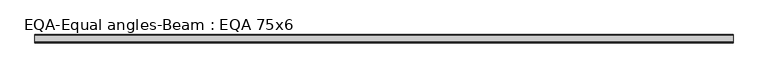
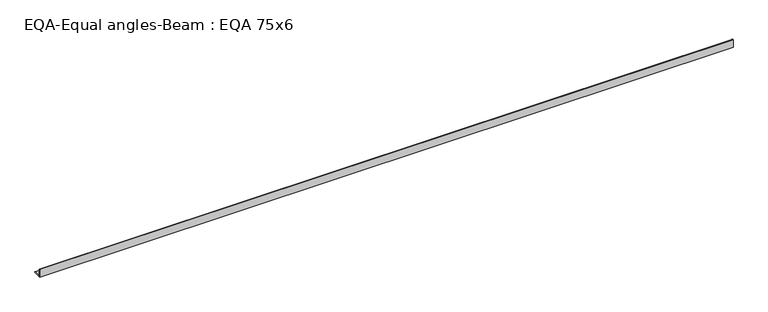
"""IFC4 building model written with IfcOpenShell, lengths in millimetres: beam geometry, EQA-Equal angles-Beam : EQA 75x6."""

import ifcopenshell
import ifcopenshell.guid

model = None  # the IFC model being written
_history = None  # IfcOwnerHistory: only IFC2X3 demands one
_inside = {}  # id of a spatial element -> (the spatial element, [elements in it])
_under = {}  # id of a project, library or spatial element -> (it, [spatial elements below it])
_declared = {}  # id of a project -> (the project, [libraries it declares])
_typed = {}  # id of a type object -> (the type object, [elements of that type])
_made_of = {}  # id of a material, layer set ... -> (it, [elements and type objects made of it])


def new_model(schema):
    """Start an empty IFC model of exactly this schema.

    Asked for "IFC4X3", IfcOpenShell would pick the latest addendum, in which some entities
    have other attributes; the version numbers below select the first issue.
    IFC2X3 requires an IfcOwnerHistory on every rooted entity: one is made here for all.
    """
    global model, _history
    if schema == "IFC4X3":
        model = ifcopenshell.file(schema_version=(4, 3, 0, 0))
    else:
        model = ifcopenshell.file(schema=schema)
    _inside.clear()
    _under.clear()
    _declared.clear()
    _typed.clear()
    _made_of.clear()
    _history = None
    if model.schema == "IFC2X3":
        org = make("IfcOrganization", Name="unknown")
        user = make(
            "IfcPersonAndOrganization",
            ThePerson=make("IfcPerson", FamilyName="unknown"),
            TheOrganization=org,
        )
        app = make(
            "IfcApplication",
            ApplicationDeveloper=org,
            Version="unknown",
            ApplicationFullName="unknown",
            ApplicationIdentifier="unknown",
        )
        _history = make(
            "IfcOwnerHistory",
            OwningUser=user,
            OwningApplication=app,
            ChangeAction="ADDED",
            CreationDate=0,
        )
    return model


def make(cls, **values):
    """One entity of the class cls with the attributes given. An attribute that is None is left unset."""
    return model.create_entity(
        cls, **{name: value for name, value in values.items() if value is not None}
    )


def rooted(cls, **values):
    """An entity with a GlobalId (a new one), such as an element, a storey or a relation."""
    return make(cls, GlobalId=ifcopenshell.guid.new(), OwnerHistory=_history, **values)


def si_unit(unit_type, name, prefix=None):
    """IfcSIUnit, for example si_unit("LENGTHUNIT", "METRE", prefix="MILLI")."""
    return make("IfcSIUnit", UnitType=unit_type, Prefix=prefix, Name=name)


def assignment(units):
    """IfcUnitAssignment: the units of a project."""
    return None if units is None else make("IfcUnitAssignment", Units=units)


def point(xyz):
    """IfcCartesianPoint."""
    return None if xyz is None else make("IfcCartesianPoint", Coordinates=xyz)


def direction(xyz):
    """IfcDirection."""
    return None if xyz is None else make("IfcDirection", DirectionRatios=xyz)


def frame(location, z_axis=None, x_axis=None):
    """IfcAxis2Placement3D, a coordinate frame: its origin and axes. An axis left out is left unset."""
    return make(
        "IfcAxis2Placement3D",
        Location=point(location),
        Axis=direction(z_axis),
        RefDirection=direction(x_axis),
    )


def frame_2d(location, x_axis=None):
    """IfcAxis2Placement2D, a coordinate frame in the plane: its origin and x axis."""
    return make(
        "IfcAxis2Placement2D", Location=point(location), RefDirection=direction(x_axis)
    )


def origin():
    """The frame at (0, 0, 0) with its axes left unset."""
    return frame((0.0, 0.0, 0.0))


def place(relative_to, where):
    """IfcLocalPlacement: puts the frame where relative to a parent placement (None: the world)."""
    return make(
        "IfcLocalPlacement", PlacementRelTo=relative_to, RelativePlacement=where
    )


def context(
    kind, dimensions, precision=None, world=None, true_north=None, identifier=None
):
    """IfcGeometricRepresentationContext, for example the 3D "Model" context."""
    return make(
        "IfcGeometricRepresentationContext",
        ContextIdentifier=identifier,
        ContextType=kind,
        CoordinateSpaceDimension=dimensions,
        Precision=precision,
        WorldCoordinateSystem=world,
        TrueNorth=true_north,
    )


def project(units=None, contexts=None):
    """IfcProject with its units and contexts."""
    return rooted(
        "IfcProject",
        Name="project",
        RepresentationContexts=contexts,
        UnitsInContext=assignment(units),
    )


def spatial(cls, under=None, at=None, **own):
    """A site, building, storey or space (cls), placed at a placement, below another one or the project."""
    s = rooted(cls, ObjectPlacement=at, **own)
    if under is not None:
        _under.setdefault(under.id(), (under, []))[1].append(s)
    return s


def polyline(points):
    """IfcPolyline through the points."""
    return make("IfcPolyline", Points=[point(p) for p in points])


def circle_curve(where, radius):
    """IfcCircle in the frame where."""
    return make("IfcCircle", Position=where, Radius=radius)


def trimmed(basis, trim1, trim2, sense, master):
    """IfcTrimmedCurve: the piece of a basis curve between two trims."""
    return make(
        "IfcTrimmedCurve",
        BasisCurve=basis,
        Trim1=trim1,
        Trim2=trim2,
        SenseAgreement=sense,
        MasterRepresentation=master,
    )


def segment(curve, same_sense, transition):
    """IfcCompositeCurveSegment."""
    return make(
        "IfcCompositeCurveSegment",
        Transition=transition,
        SameSense=same_sense,
        ParentCurve=curve,
    )


def composite_curve(segments, self_intersect=None):
    """IfcCompositeCurve: segments joined end to end."""
    return make("IfcCompositeCurve", Segments=segments, SelfIntersect=self_intersect)


def outline(outer, holes=None, kind="AREA"):
    """IfcArbitraryClosedProfileDef: a profile drawn as a closed curve; with holes, ...WithVoids."""
    if holes is None:
        return make("IfcArbitraryClosedProfileDef", ProfileType=kind, OuterCurve=outer)
    return make(
        "IfcArbitraryProfileDefWithVoids",
        ProfileType=kind,
        OuterCurve=outer,
        InnerCurves=holes,
    )


def extrude(swept, where, along, depth):
    """IfcExtrudedAreaSolid: the profile swept, set in the frame where, extruded along a direction by depth."""
    return make(
        "IfcExtrudedAreaSolid",
        SweptArea=swept,
        Position=where,
        ExtrudedDirection=direction(along),
        Depth=depth,
    )


def shape(context_of_items, identifier, shape_type, items):
    """IfcShapeRepresentation: the items that make up one representation, for example the "Body"."""
    return make(
        "IfcShapeRepresentation",
        ContextOfItems=context_of_items,
        RepresentationIdentifier=identifier,
        RepresentationType=shape_type,
        Items=items,
    )


def source(mapping_origin, context_of_items, identifier, shape_type, items):
    """IfcRepresentationMap: a shape defined once, which mapped items show again and again."""
    return make(
        "IfcRepresentationMap",
        MappingOrigin=mapping_origin,
        MappedRepresentation=shape(context_of_items, identifier, shape_type, items),
    )


def transform(
    local_origin,
    x_axis=None,
    y_axis=None,
    z_axis=None,
    scale=None,
    scale2=None,
    scale3=None,
    uniform=True,
):
    """IfcCartesianTransformationOperator3D, or its non-uniform kind. x_axis, y_axis, z_axis: its Axis1, 2, 3."""
    if uniform:
        return make(
            "IfcCartesianTransformationOperator3D",
            Axis1=direction(x_axis),
            Axis2=direction(y_axis),
            LocalOrigin=point(local_origin),
            Scale=scale,
            Axis3=direction(z_axis),
        )
    return make(
        "IfcCartesianTransformationOperator3DnonUniform",
        Axis1=direction(x_axis),
        Axis2=direction(y_axis),
        LocalOrigin=point(local_origin),
        Scale=scale,
        Axis3=direction(z_axis),
        Scale2=scale2,
        Scale3=scale3,
    )


def mapped(mapping_source, mapping_target):
    """IfcMappedItem: shows the shape of a source again, moved by a transform."""
    return make(
        "IfcMappedItem", MappingSource=mapping_source, MappingTarget=mapping_target
    )


def made_of(thing, what):
    """Note that an element or type object is made of a material, layer set ...; save() writes the relation."""
    if what is not None:
        _made_of.setdefault(what.id(), (what, []))[1].append(thing)
    return thing


def element(
    cls,
    number,
    at=None,
    inside=None,
    cuts=None,
    type_object=None,
    material=None,
    context=None,
    identifier="Body",
    shape_type=None,
    held_by="IfcProductDefinitionShape",
    body=None,
    shapes=None,
    **own,
):
    """One element of the class cls, such as IfcWall. Its Tag is "e" and its number.

    at: its placement. inside: the storey or other place that contains it. cuts: it is an
    opening in that element (IfcRelVoidsElement). A single representation is given by context,
    identifier, shape_type and body (its items); several are given by shapes. held_by: the class
    of the entity that holds the representations. save() writes the other relations.
    """
    e = rooted(cls, Tag="e%d" % number, ObjectPlacement=at, **own)
    if body is not None:
        shapes = [shape(context, identifier, shape_type, body)]
    if shapes is not None:
        e.Representation = make(held_by, Representations=shapes)
    if inside is not None:
        _inside.setdefault(inside.id(), (inside, []))[1].append(e)
    if cuts is not None:
        rooted(
            "IfcRelVoidsElement", RelatingBuildingElement=cuts, RelatedOpeningElement=e
        )
    if type_object is not None:
        _typed.setdefault(type_object.id(), (type_object, []))[1].append(e)
    return made_of(e, material)


def aggregate(whole, parts):
    """IfcRelAggregates: a whole, such as a stair, and the parts it consists of."""
    return rooted("IfcRelAggregates", RelatingObject=whole, RelatedObjects=parts)


def save(model, path):
    """Write the relations noted so far, then the file.

    IfcRelAggregates (storeys below a building ...), IfcRelContainedInSpatialStructure (elements
    in a storey), IfcRelDefinesByType, IfcRelAssociatesMaterial and IfcRelDeclares: one each for
    every whole, place, type object, material and project.
    """
    for whole, parts in _under.values():
        aggregate(whole, parts)
    for where, things in _inside.values():
        rooted(
            "IfcRelContainedInSpatialStructure",
            RelatedElements=things,
            RelatingStructure=where,
        )
    for kind, things in _typed.values():
        rooted("IfcRelDefinesByType", RelatedObjects=things, RelatingType=kind)
    for what, things in _made_of.values():
        rooted("IfcRelAssociatesMaterial", RelatedObjects=things, RelatingMaterial=what)
    for by, libraries in _declared.values():
        rooted("IfcRelDeclares", RelatingContext=by, RelatedDefinitions=libraries)
    model.write(path)


def eqa_equal_angles_beam_eqa_75x6_94d1427b(model_context):
    return source(origin(), model_context, "Body", "SweptSolid", [
        extrude(outline(composite_curve([segment(polyline([(-20.5, -20.5), (-20.5, 54.5), (-19.0, 54.5)]), True, "CONTINUOUS"), segment(trimmed(circle_curve(frame_2d((-19.0, 50.0)), 4.5), [point((-19.0, 54.5))], [point((-14.5, 50.0))], False, "CARTESIAN"), True, "CONTINUOUS"), segment(polyline([(-14.5, 50.0), (-14.5, -5.5)]), True, "CONTINUOUS"), segment(trimmed(circle_curve(frame_2d((-5.5, -5.5)), 9.0), [point((-14.5, -5.5))], [point((-5.5, -14.5))], True, "CARTESIAN"), True, "CONTINUOUS"), segment(polyline([(-5.5, -14.5), (50.0, -14.5)]), True, "CONTINUOUS"), segment(trimmed(circle_curve(frame_2d((50.0, -19.0)), 4.5), [point((50.0, -14.5))], [point((54.5, -19.0))], False, "CARTESIAN"), True, "CONTINUOUS"), segment(polyline([(54.5, -19.0), (54.5, -20.5), (-20.5, -20.5)]), True, "CONTINUOUS")], self_intersect=False)), frame((-3089.1961861, 0.0, 0.0), z_axis=(1.0, 0.0, 0.0), x_axis=(0.0, 1.0, 0.0)), (0.0, 0.0, 1.0), 6314.5642247),
    ])


if __name__ == "__main__":
    model = new_model("IFC4")
    model_context = context("Model", 3, world=origin())
    ifc_project = project(units=[si_unit("LENGTHUNIT", "METRE", prefix="MILLI")], contexts=[model_context])
    site = spatial("IfcSite", under=ifc_project)
    building = spatial("IfcBuilding", under=site)
    placement = place(None, origin())
    eqa_equal_angles_beam_eqa_75x6_shape = eqa_equal_angles_beam_eqa_75x6_94d1427b(model_context)
    element("IfcBeam", 1, ObjectType="EQA-Equal angles-Beam : EQA 75x6", at=placement, inside=building, context=model_context, shape_type="MappedRepresentation", body=[
        mapped(eqa_equal_angles_beam_eqa_75x6_shape, transform((0.0, 0.0, 0.0), x_axis=(1.0, 0.0, 0.0), y_axis=(0.0, 1.0, 0.0), z_axis=(0.0, 0.0, 1.0))),
    ])
    save(model, "model.ifc")
